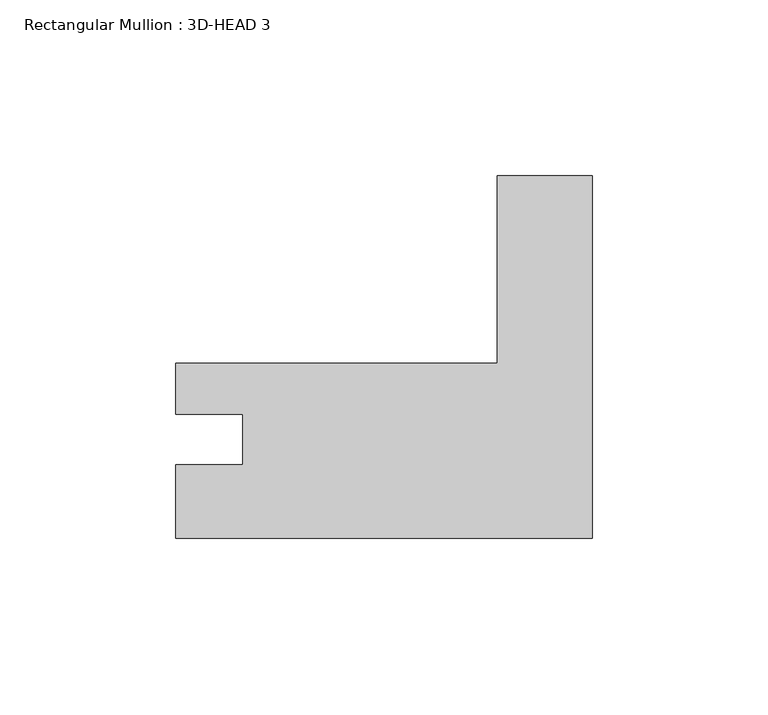
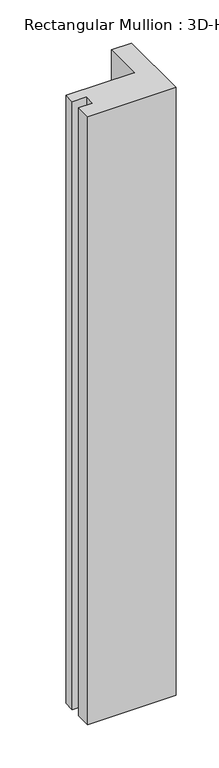
"""IFC4 building model written with IfcOpenShell, lengths in millimetres: member geometry, Rectangular Mullion : 3D-HEAD 3."""

from ifc_helpers import new_model, si_unit, frame, origin, place, context, project, spatial, polyline, outline, extrude, source, transform, mapped, element, save


def rectangular_mullion_3d_head_3_3fe7daa9(model_context):
    return source(origin(), model_context, "Body", "SweptSolid", [
        extrude(outline(polyline([(-118.2687503, -60.7815148), (-118.2687503, -39.9027082), (-99.2441515, -39.9027082), (-99.2441515, -25.5898148), (-118.2687515, -25.5898148), (-118.2687515, -10.9975148), (-26.9748, -10.9975148), (-26.9748, 42.1980229), (0.0, 42.1980229), (0.0, -60.7815148), (-118.2687503, -60.7815148)])), frame((0.0, 0.0, -859.0279975), z_axis=(0.0, 0.0, 1.0), x_axis=(1.0, 0.0, 0.0)), (0.0, 0.0, 1.0), 859.0279975),
    ])


if __name__ == "__main__":
    model = new_model("IFC4")
    model_context = context("Model", 3, world=origin())
    ifc_project = project(units=[si_unit("LENGTHUNIT", "METRE", prefix="MILLI")], contexts=[model_context])
    site = spatial("IfcSite", under=ifc_project)
    building = spatial("IfcBuilding", under=site)
    placement = place(None, origin())
    rectangular_mullion_3d_head_3_shape = rectangular_mullion_3d_head_3_3fe7daa9(model_context)
    element("IfcMember", 1, ObjectType="Rectangular Mullion : 3D-HEAD 3", at=placement, inside=building, context=model_context, shape_type="MappedRepresentation", body=[
        mapped(rectangular_mullion_3d_head_3_shape, transform((0.0, 0.0, 0.0), x_axis=(1.0, 0.0, 0.0), y_axis=(0.0, 1.0, 0.0), z_axis=(0.0, 0.0, 1.0))),
    ])
    save(model, "model.ifc")
